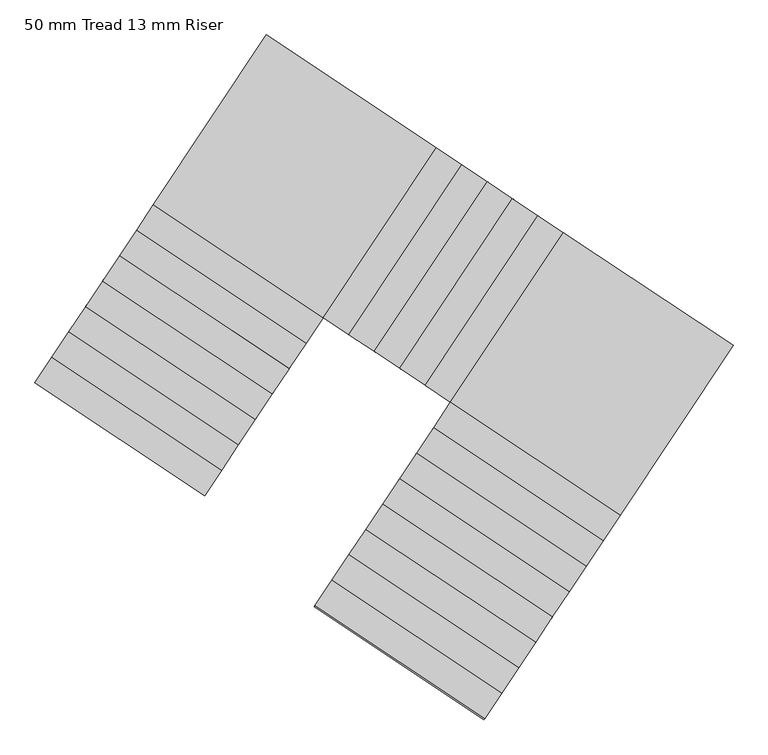
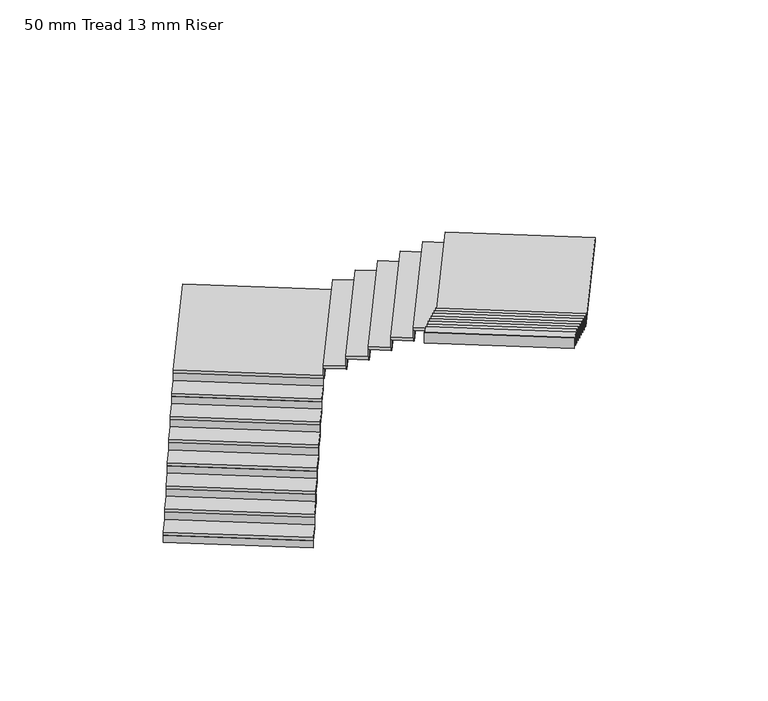
"""IFC4 building model written with IfcOpenShell, lengths in millimetres: stair flight geometry, 50 mm Tread 13 mm Riser."""

from ifc_helpers import new_model, si_unit, frame, origin, place, context, project, spatial, polyline, outline, extrude, source, transform, mapped, element, save


def stair_flight_50_mm_tread_13_mm_riser_e12b173f(model_context):
    return source(origin(), model_context, "Body", "SweptSolid", [
        extrude(outline(polyline([(-247204.2511497, 56805.2453331), (-247211.1748969, 56794.8380412), (-248876.3416006, 57902.6375939), (-248869.4178534, 57913.0448858), (-247204.2511497, 56805.2453331)])), frame((0.0, 0.0, 680.0), z_axis=(0.0, 0.0, 1.0), x_axis=(1.0, 0.0, 0.0)), (0.0, 0.0, 1.0), 116.6666667),
        extrude(outline(polyline([(-248710.1716677, 58152.4125995), (-247045.004964, 57044.6130467), (-247211.1748969, 56794.8380412), (-248876.3416006, 57902.6375939), (-248710.1716677, 58152.4125995)])), frame((0.0, 0.0, 796.6666667), z_axis=(0.0, 0.0, 1.0), x_axis=(1.0, 0.0, 0.0)), (0.0, 0.0, 1.0), 50.0),
        extrude(outline(polyline([(-247038.0812168, 57055.0203386), (-247045.004964, 57044.6130467), (-248710.1716677, 58152.4125995), (-248703.2479205, 58162.8198914), (-247038.0812168, 57055.0203386)])), frame((0.0, 0.0, 796.6666667), z_axis=(0.0, 0.0, 1.0), x_axis=(1.0, 0.0, 0.0)), (0.0, 0.0, 1.0), 166.6666667),
        extrude(outline(polyline([(-248544.0017348, 58402.187605), (-246878.8350311, 57294.3880523), (-247045.004964, 57044.6130467), (-248710.1716677, 58152.4125995), (-248544.0017348, 58402.187605)])), frame((0.0, 0.0, 963.3333333), z_axis=(0.0, 0.0, 1.0), x_axis=(1.0, 0.0, 0.0)), (0.0, 0.0, 1.0), 50.0),
        extrude(outline(polyline([(-246871.9112839, 57304.7953442), (-246878.8350311, 57294.3880523), (-248544.0017348, 58402.187605), (-248537.0779876, 58412.5948969), (-246871.9112839, 57304.7953442)])), frame((0.0, 0.0, 963.3333333), z_axis=(0.0, 0.0, 1.0), x_axis=(1.0, 0.0, 0.0)), (0.0, 0.0, 1.0), 166.6666667),
        extrude(outline(polyline([(-248377.8318019, 58651.9626106), (-246712.6650982, 57544.1630578), (-246878.8350311, 57294.3880523), (-248544.0017348, 58402.187605), (-248377.8318019, 58651.9626106)])), frame((0.0, 0.0, 1130.0), z_axis=(0.0, 0.0, 1.0), x_axis=(1.0, 0.0, 0.0)), (0.0, 0.0, 1.0), 50.0),
        extrude(outline(polyline([(-246705.741351, 57554.5703497), (-246712.6650982, 57544.1630578), (-248377.8318019, 58651.9626106), (-248370.9080547, 58662.3699025), (-246705.741351, 57554.5703497)])), frame((0.0, 0.0, 1130.0), z_axis=(0.0, 0.0, 1.0), x_axis=(1.0, 0.0, 0.0)), (0.0, 0.0, 1.0), 166.6666667),
        extrude(outline(polyline([(-248211.6618689, 58901.7376161), (-246546.4951653, 57793.9380634), (-246712.6650982, 57544.1630578), (-248377.8318019, 58651.9626106), (-248211.6618689, 58901.7376161)])), frame((0.0, 0.0, 1296.6666667), z_axis=(0.0, 0.0, 1.0), x_axis=(1.0, 0.0, 0.0)), (0.0, 0.0, 1.0), 50.0),
        extrude(outline(polyline([(-246539.5714181, 57804.3453553), (-246546.4951653, 57793.9380634), (-248211.6618689, 58901.7376161), (-248204.7381217, 58912.144908), (-246539.5714181, 57804.3453553)])), frame((0.0, 0.0, 1296.6666667), z_axis=(0.0, 0.0, 1.0), x_axis=(1.0, 0.0, 0.0)), (0.0, 0.0, 1.0), 166.6666667),
        extrude(outline(polyline([(-248045.491936, 59151.5126217), (-246380.3252324, 58043.7130689), (-246546.4951653, 57793.9380634), (-248211.6618689, 58901.7376161), (-248045.491936, 59151.5126217)])), frame((0.0, 0.0, 1463.3333333), z_axis=(0.0, 0.0, 1.0), x_axis=(1.0, 0.0, 0.0)), (0.0, 0.0, 1.0), 50.0),
        extrude(outline(polyline([(-246373.4014852, 58054.1203608), (-246380.3252324, 58043.7130689), (-248045.491936, 59151.5126217), (-248038.5681888, 59161.9199136), (-246373.4014852, 58054.1203608)])), frame((0.0, 0.0, 1463.3333333), z_axis=(0.0, 0.0, 1.0), x_axis=(1.0, 0.0, 0.0)), (0.0, 0.0, 1.0), 166.6666667),
        extrude(outline(polyline([(-247879.3220031, 59401.2876272), (-246214.1552995, 58293.4880745), (-246380.3252324, 58043.7130689), (-248045.491936, 59151.5126217), (-247879.3220031, 59401.2876272)])), frame((0.0, 0.0, 1630.0), z_axis=(0.0, 0.0, 1.0), x_axis=(1.0, 0.0, 0.0)), (0.0, 0.0, 1.0), 50.0),
        extrude(outline(polyline([(-246207.2315523, 58303.8953664), (-246214.1552995, 58293.4880745), (-247879.3220031, 59401.2876272), (-247872.3982559, 59411.6949191), (-246207.2315523, 58303.8953664)])), frame((0.0, 0.0, 1630.0), z_axis=(0.0, 0.0, 1.0), x_axis=(1.0, 0.0, 0.0)), (0.0, 0.0, 1.0), 166.6666667),
        extrude(outline(polyline([(-247713.1520702, 59651.0626328), (-246047.9853666, 58543.26308), (-246214.1552995, 58293.4880745), (-247879.3220031, 59401.2876272), (-247713.1520702, 59651.0626328)])), frame((0.0, 0.0, 1796.6666667), z_axis=(0.0, 0.0, 1.0), x_axis=(1.0, 0.0, 0.0)), (0.0, 0.0, 1.0), 50.0),
        extrude(outline(polyline([(-246041.0616194, 58553.6703719), (-246047.9853666, 58543.26308), (-247713.1520702, 59651.0626328), (-247706.228323, 59661.4699246), (-246041.0616194, 58553.6703719)])), frame((0.0, 0.0, 1796.6666667), z_axis=(0.0, 0.0, 1.0), x_axis=(1.0, 0.0, 0.0)), (0.0, 0.0, 1.0), 166.6666667),
        extrude(outline(polyline([(-244940.1858138, 60208.4297837), (-246047.9853666, 58543.26308), (-247713.1520702, 59651.0626328), (-246605.3525175, 61316.2293364), (-244940.1858138, 60208.4297837)])), frame((0.0, 0.0, 1963.3333333), z_axis=(0.0, 0.0, 1.0), x_axis=(1.0, 0.0, 0.0)), (0.0, 0.0, 1.0), 50.0),
        extrude(outline(polyline([(-246037.5780747, 58536.3393328), (-246047.9853666, 58543.26308), (-244940.1858138, 60208.4297837), (-244929.7785219, 60201.5060365), (-246037.5780747, 58536.3393328)])), frame((0.0, 0.0, 1963.3333333), z_axis=(0.0, 0.0, 1.0), x_axis=(1.0, 0.0, 0.0)), (0.0, 0.0, 1.0), 166.6666667),
        extrude(outline(polyline([(-244690.4108083, 60042.2598508), (-245798.210361, 58377.0931471), (-246047.9853666, 58543.26308), (-244940.1858138, 60208.4297837), (-244690.4108083, 60042.2598508)])), frame((0.0, 0.0, 2130.0), z_axis=(0.0, 0.0, 1.0), x_axis=(1.0, 0.0, 0.0)), (0.0, 0.0, 1.0), 50.0),
        extrude(outline(polyline([(-245787.8030691, 58370.1693999), (-245798.210361, 58377.0931471), (-244690.4108083, 60042.2598508), (-244680.0035164, 60035.3361036), (-245787.8030691, 58370.1693999)])), frame((0.0, 0.0, 2130.0), z_axis=(0.0, 0.0, 1.0), x_axis=(1.0, 0.0, 0.0)), (0.0, 0.0, 1.0), 166.6666667),
        extrude(outline(polyline([(-244440.6358027, 59876.0899178), (-245548.4353555, 58210.9232142), (-245798.210361, 58377.0931471), (-244690.4108083, 60042.2598508), (-244440.6358027, 59876.0899178)])), frame((0.0, 0.0, 2296.6666667), z_axis=(0.0, 0.0, 1.0), x_axis=(1.0, 0.0, 0.0)), (0.0, 0.0, 1.0), 50.0),
        extrude(outline(polyline([(-245538.0280636, 58203.999467), (-245548.4353555, 58210.9232142), (-244440.6358027, 59876.0899178), (-244430.2285108, 59869.1661706), (-245538.0280636, 58203.999467)])), frame((0.0, 0.0, 2296.6666667), z_axis=(0.0, 0.0, 1.0), x_axis=(1.0, 0.0, 0.0)), (0.0, 0.0, 1.0), 166.6666667),
        extrude(outline(polyline([(-244190.8607972, 59709.9199849), (-245298.6603499, 58044.7532813), (-245548.4353555, 58210.9232142), (-244440.6358027, 59876.0899178), (-244190.8607972, 59709.9199849)])), frame((0.0, 0.0, 2463.3333333), z_axis=(0.0, 0.0, 1.0), x_axis=(1.0, 0.0, 0.0)), (0.0, 0.0, 1.0), 50.0),
        extrude(outline(polyline([(-245288.253058, 58037.8295341), (-245298.6603499, 58044.7532813), (-244190.8607972, 59709.9199849), (-244180.4535053, 59702.9962377), (-245288.253058, 58037.8295341)])), frame((0.0, 0.0, 2463.3333333), z_axis=(0.0, 0.0, 1.0), x_axis=(1.0, 0.0, 0.0)), (0.0, 0.0, 1.0), 166.6666667),
        extrude(outline(polyline([(-243941.0857916, 59543.750052), (-245048.8853444, 57878.5833484), (-245298.6603499, 58044.7532813), (-244190.8607972, 59709.9199849), (-243941.0857916, 59543.750052)])), frame((0.0, 0.0, 2630.0), z_axis=(0.0, 0.0, 1.0), x_axis=(1.0, 0.0, 0.0)), (0.0, 0.0, 1.0), 50.0),
        extrude(outline(polyline([(-245038.4780525, 57871.6596012), (-245048.8853444, 57878.5833484), (-243941.0857916, 59543.750052), (-243930.6784997, 59536.8263048), (-245038.4780525, 57871.6596012)])), frame((0.0, 0.0, 2630.0), z_axis=(0.0, 0.0, 1.0), x_axis=(1.0, 0.0, 0.0)), (0.0, 0.0, 1.0), 166.6666667),
        extrude(outline(polyline([(-243691.3107861, 59377.5801191), (-244799.1103388, 57712.4134155), (-245048.8853444, 57878.5833484), (-243941.0857916, 59543.750052), (-243691.3107861, 59377.5801191)])), frame((0.0, 0.0, 2796.6666667), z_axis=(0.0, 0.0, 1.0), x_axis=(1.0, 0.0, 0.0)), (0.0, 0.0, 1.0), 50.0),
        extrude(outline(polyline([(-244788.7030469, 57705.4896683), (-244799.1103388, 57712.4134155), (-243691.3107861, 59377.5801191), (-243680.9034942, 59370.6563719), (-244788.7030469, 57705.4896683)])), frame((0.0, 0.0, 2796.6666667), z_axis=(0.0, 0.0, 1.0), x_axis=(1.0, 0.0, 0.0)), (0.0, 0.0, 1.0), 166.6666667),
        extrude(outline(polyline([(-243133.9436352, 56604.6138627), (-244799.1103388, 57712.4134155), (-243691.3107861, 59377.5801191), (-242026.1440824, 58269.7805664), (-243133.9436352, 56604.6138627)])), frame((0.0, 0.0, 2963.3333333), z_axis=(0.0, 0.0, 1.0), x_axis=(1.0, 0.0, 0.0)), (0.0, 0.0, 1.0), 50.0),
        extrude(outline(polyline([(-244806.034086, 57702.0061236), (-244799.1103388, 57712.4134155), (-243133.9436352, 56604.6138627), (-243140.8673824, 56594.2065708), (-244806.034086, 57702.0061236)])), frame((0.0, 0.0, 2963.3333333), z_axis=(0.0, 0.0, 1.0), x_axis=(1.0, 0.0, 0.0)), (0.0, 0.0, 1.0), 166.6666667),
        extrude(outline(polyline([(-243300.1135681, 56354.8388572), (-244965.2802717, 57462.6384099), (-244799.1103388, 57712.4134155), (-243133.9436352, 56604.6138627), (-243300.1135681, 56354.8388572)])), frame((0.0, 0.0, 3130.0), z_axis=(0.0, 0.0, 1.0), x_axis=(1.0, 0.0, 0.0)), (0.0, 0.0, 1.0), 50.0),
        extrude(outline(polyline([(-244972.2040189, 57452.231118), (-244965.2802717, 57462.6384099), (-243300.1135681, 56354.8388572), (-243307.0373153, 56344.4315653), (-244972.2040189, 57452.231118)])), frame((0.0, 0.0, 3130.0), z_axis=(0.0, 0.0, 1.0), x_axis=(1.0, 0.0, 0.0)), (0.0, 0.0, 1.0), 166.6666667),
        extrude(outline(polyline([(-243466.283501, 56105.0638516), (-245131.4502046, 57212.8634044), (-244965.2802717, 57462.6384099), (-243300.1135681, 56354.8388572), (-243466.283501, 56105.0638516)])), frame((0.0, 0.0, 3296.6666667), z_axis=(0.0, 0.0, 1.0), x_axis=(1.0, 0.0, 0.0)), (0.0, 0.0, 1.0), 50.0),
        extrude(outline(polyline([(-245138.3739518, 57202.4561125), (-245131.4502046, 57212.8634044), (-243466.283501, 56105.0638516), (-243473.2072482, 56094.6565597), (-245138.3739518, 57202.4561125)])), frame((0.0, 0.0, 3296.6666667), z_axis=(0.0, 0.0, 1.0), x_axis=(1.0, 0.0, 0.0)), (0.0, 0.0, 1.0), 166.6666667),
        extrude(outline(polyline([(-243632.4534339, 55855.2888461), (-245297.6201376, 56963.0883988), (-245131.4502046, 57212.8634044), (-243466.283501, 56105.0638516), (-243632.4534339, 55855.2888461)])), frame((0.0, 0.0, 3463.3333333), z_axis=(0.0, 0.0, 1.0), x_axis=(1.0, 0.0, 0.0)), (0.0, 0.0, 1.0), 50.0),
        extrude(outline(polyline([(-245304.5438848, 56952.6811069), (-245297.6201376, 56963.0883988), (-243632.4534339, 55855.2888461), (-243639.3771811, 55844.8815542), (-245304.5438848, 56952.6811069)])), frame((0.0, 0.0, 3463.3333333), z_axis=(0.0, 0.0, 1.0), x_axis=(1.0, 0.0, 0.0)), (0.0, 0.0, 1.0), 166.6666667),
        extrude(outline(polyline([(-243798.6233668, 55605.5138405), (-245463.7900705, 56713.3133933), (-245297.6201376, 56963.0883988), (-243632.4534339, 55855.2888461), (-243798.6233668, 55605.5138405)])), frame((0.0, 0.0, 3630.0), z_axis=(0.0, 0.0, 1.0), x_axis=(1.0, 0.0, 0.0)), (0.0, 0.0, 1.0), 50.0),
        extrude(outline(polyline([(-245470.7138177, 56702.9061014), (-245463.7900705, 56713.3133933), (-243798.6233668, 55605.5138405), (-243805.547114, 55595.1065486), (-245470.7138177, 56702.9061014)])), frame((0.0, 0.0, 3630.0), z_axis=(0.0, 0.0, 1.0), x_axis=(1.0, 0.0, 0.0)), (0.0, 0.0, 1.0), 166.6666667),
        extrude(outline(polyline([(-243964.7932997, 55355.738835), (-245629.9600034, 56463.5383877), (-245463.7900705, 56713.3133933), (-243798.6233668, 55605.5138405), (-243964.7932997, 55355.738835)])), frame((0.0, 0.0, 3796.6666667), z_axis=(0.0, 0.0, 1.0), x_axis=(1.0, 0.0, 0.0)), (0.0, 0.0, 1.0), 50.0),
        extrude(outline(polyline([(-245636.8837506, 56453.1310958), (-245629.9600034, 56463.5383877), (-243964.7932997, 55355.738835), (-243971.7170469, 55345.3315431), (-245636.8837506, 56453.1310958)])), frame((0.0, 0.0, 3796.6666667), z_axis=(0.0, 0.0, 1.0), x_axis=(1.0, 0.0, 0.0)), (0.0, 0.0, 1.0), 166.6666667),
        extrude(outline(polyline([(-244130.9632326, 55105.9638294), (-245796.1299363, 56213.7633822), (-245629.9600034, 56463.5383877), (-243964.7932997, 55355.738835), (-244130.9632326, 55105.9638294)])), frame((0.0, 0.0, 3963.3333333), z_axis=(0.0, 0.0, 1.0), x_axis=(1.0, 0.0, 0.0)), (0.0, 0.0, 1.0), 50.0),
        extrude(outline(polyline([(-245803.0536835, 56203.3560903), (-245796.1299363, 56213.7633822), (-244130.9632326, 55105.9638294), (-244137.8869798, 55095.5565375), (-245803.0536835, 56203.3560903)])), frame((0.0, 0.0, 3963.3333333), z_axis=(0.0, 0.0, 1.0), x_axis=(1.0, 0.0, 0.0)), (0.0, 0.0, 1.0), 166.6666667),
        extrude(outline(polyline([(-244297.1331655, 54856.1888239), (-245962.2998692, 55963.9883766), (-245796.1299363, 56213.7633822), (-244130.9632326, 55105.9638294), (-244297.1331655, 54856.1888239)])), frame((0.0, 0.0, 4130.0), z_axis=(0.0, 0.0, 1.0), x_axis=(1.0, 0.0, 0.0)), (0.0, 0.0, 1.0), 50.0),
        extrude(outline(polyline([(-245969.2236164, 55953.5810847), (-245962.2998692, 55963.9883766), (-244297.1331655, 54856.1888239), (-244304.0569127, 54845.781532), (-245969.2236164, 55953.5810847)])), frame((0.0, 0.0, 4130.0), z_axis=(0.0, 0.0, 1.0), x_axis=(1.0, 0.0, 0.0)), (0.0, 0.0, 1.0), 166.6666667),
        extrude(outline(polyline([(-246135.3935493, 55703.8060792), (-246128.4698021, 55714.2133711), (-244463.3030984, 54606.4138183), (-244470.2268457, 54596.0065264), (-246135.3935493, 55703.8060792)])), frame((0.0, 0.0, 4296.6666667), z_axis=(0.0, 0.0, 1.0), x_axis=(1.0, 0.0, 0.0)), (0.0, 0.0, 1.0), 166.6666667),
        extrude(outline(polyline([(-244463.3030984, 54606.4138183), (-246128.4698021, 55714.2133711), (-245962.2998692, 55963.9883766), (-244297.1331655, 54856.1888239), (-244463.3030984, 54606.4138183)])), frame((0.0, 0.0, 4296.6666667), z_axis=(0.0, 0.0, 1.0), x_axis=(1.0, 0.0, 0.0)), (0.0, 0.0, 1.0), 50.0),
    ])


if __name__ == "__main__":
    model = new_model("IFC4")
    model_context = context("Model", 3, world=origin())
    ifc_project = project(units=[si_unit("LENGTHUNIT", "METRE", prefix="MILLI")], contexts=[model_context])
    site = spatial("IfcSite", under=ifc_project)
    building = spatial("IfcBuilding", under=site)
    placement = place(None, origin())
    stair_flight_50_mm_tread_13_mm_riser_shape = stair_flight_50_mm_tread_13_mm_riser_e12b173f(model_context)
    element("IfcStairFlight", 1, ObjectType="50 mm Tread 13 mm Riser", at=placement, inside=building, context=model_context, shape_type="MappedRepresentation", body=[
        mapped(stair_flight_50_mm_tread_13_mm_riser_shape, transform((0.0, 0.0, 0.0), x_axis=(1.0, 0.0, 0.0), y_axis=(0.0, 1.0, 0.0), z_axis=(0.0, 0.0, 1.0))),
    ])
    save(model, "model.ifc")
